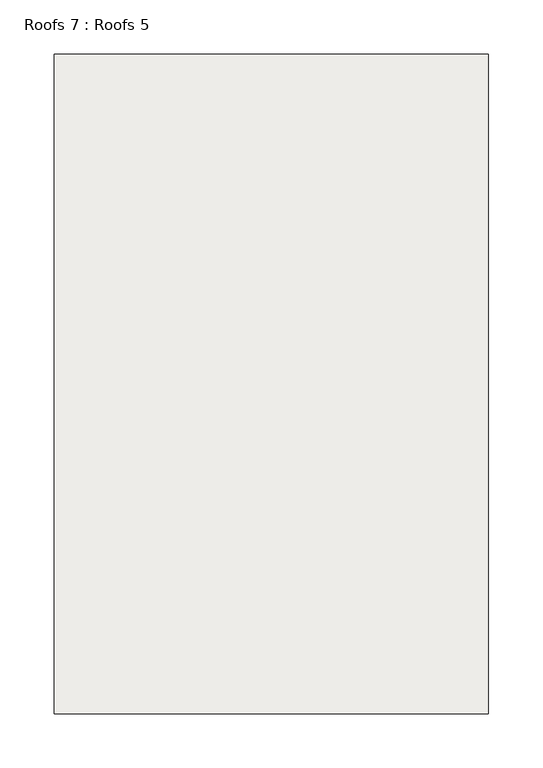
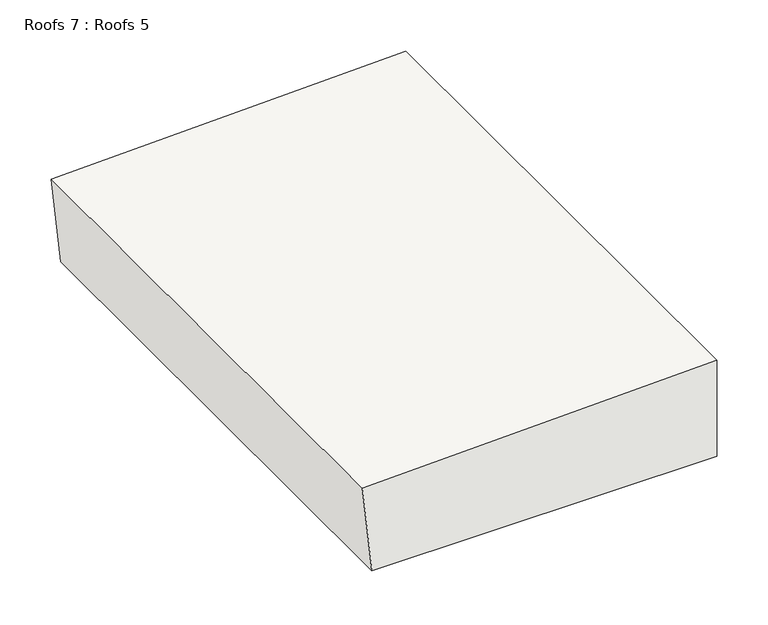
"""IFC4 building model written with IfcOpenShell, lengths in millimetres: roof geometry, Roofs 7 : Roofs 5."""

from ifc_helpers import new_model, si_unit, frame, origin, place, context, project, spatial, polyline, outline, extrude, source, transform, mapped, element, save


def roofs_7_roofs_5_85303cc7(model_context):
    return source(origin(), model_context, "Body", "SweptSolid", [
        extrude(outline(polyline([(-1581.3068927, -12602.1969605), (-1467.0068927, -12602.1969605), (-1479.8298658, -13001.0900983), (-1581.3068927, -12990.424433), (-1581.3068927, -12602.1969605)])), frame((0.0, 26920.3481072, 0.0), z_axis=(0.0, 1.0, 0.0), x_axis=(0.0, 0.0, 1.0)), (0.0, 0.0, 1.0), 605.9829134),
    ])


if __name__ == "__main__":
    model = new_model("IFC4")
    model_context = context("Model", 3, world=origin())
    ifc_project = project(units=[si_unit("LENGTHUNIT", "METRE", prefix="MILLI")], contexts=[model_context])
    site = spatial("IfcSite", under=ifc_project)
    building = spatial("IfcBuilding", under=site)
    placement = place(None, origin())
    roofs_7_roofs_5_shape = roofs_7_roofs_5_85303cc7(model_context)
    element("IfcRoof", 1, ObjectType="Roofs 7 : Roofs 5", at=placement, inside=building, context=model_context, shape_type="MappedRepresentation", body=[
        mapped(roofs_7_roofs_5_shape, transform((0.0, 0.0, 0.0), x_axis=(1.0, 0.0, 0.0), y_axis=(0.0, 1.0, 0.0), z_axis=(0.0, 0.0, 1.0))),
    ])
    save(model, "model.ifc")
